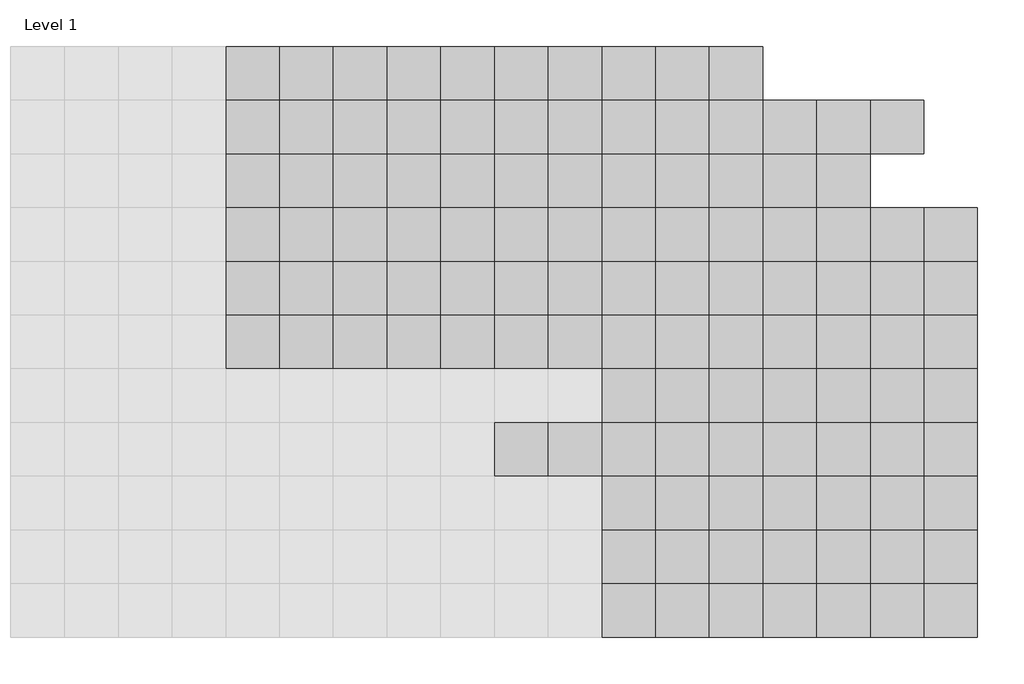
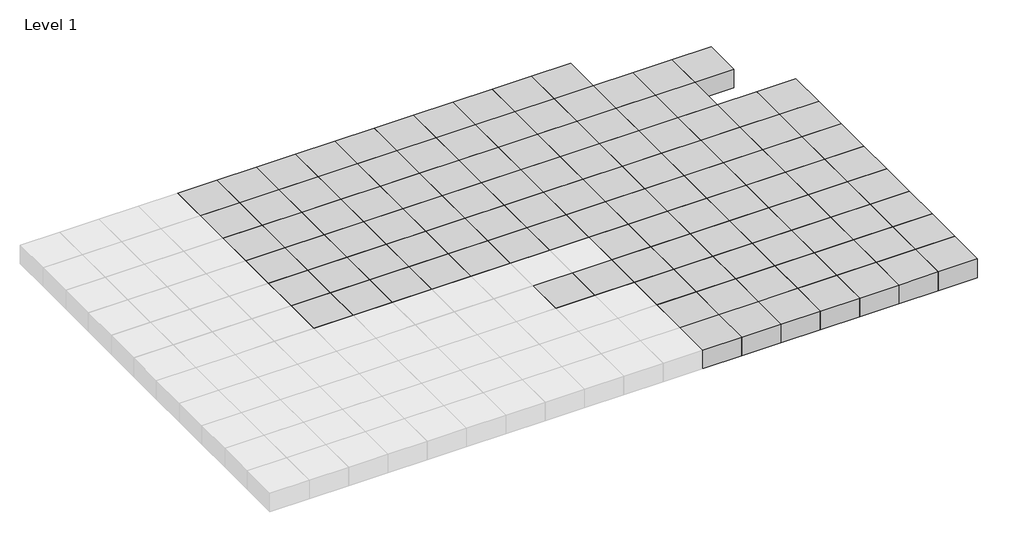
# One storey, part 5 of 30: 114 columns.
"""IFC4 building model written with IfcOpenShell, lengths in millimetres."""

import ifcopenshell
import ifcopenshell.guid

model = None  # the IFC model being written
_history = None  # IfcOwnerHistory: only IFC2X3 demands one
_inside = {}  # id of a spatial element -> (the spatial element, [elements in it])
_under = {}  # id of a project, library or spatial element -> (it, [spatial elements below it])
_declared = {}  # id of a project -> (the project, [libraries it declares])
_typed = {}  # id of a type object -> (the type object, [elements of that type])
_made_of = {}  # id of a material, layer set ... -> (it, [elements and type objects made of it])


def new_model(schema):
    """Start an empty IFC model of exactly this schema.

    Asked for "IFC4X3", IfcOpenShell would pick the latest addendum, in which some entities
    have other attributes; the version numbers below select the first issue.
    IFC2X3 requires an IfcOwnerHistory on every rooted entity: one is made here for all.
    """
    global model, _history
    if schema == "IFC4X3":
        model = ifcopenshell.file(schema_version=(4, 3, 0, 0))
    else:
        model = ifcopenshell.file(schema=schema)
    _inside.clear()
    _under.clear()
    _declared.clear()
    _typed.clear()
    _made_of.clear()
    _history = None
    if model.schema == "IFC2X3":
        org = make("IfcOrganization", Name="unknown")
        user = make(
            "IfcPersonAndOrganization",
            ThePerson=make("IfcPerson", FamilyName="unknown"),
            TheOrganization=org,
        )
        app = make(
            "IfcApplication",
            ApplicationDeveloper=org,
            Version="unknown",
            ApplicationFullName="unknown",
            ApplicationIdentifier="unknown",
        )
        _history = make(
            "IfcOwnerHistory",
            OwningUser=user,
            OwningApplication=app,
            ChangeAction="ADDED",
            CreationDate=0,
        )
    return model


def make(cls, **values):
    """One entity of the class cls with the attributes given. An attribute that is None is left unset."""
    return model.create_entity(
        cls, **{name: value for name, value in values.items() if value is not None}
    )


def rooted(cls, **values):
    """An entity with a GlobalId (a new one), such as an element, a storey or a relation."""
    return make(cls, GlobalId=ifcopenshell.guid.new(), OwnerHistory=_history, **values)


def si_unit(unit_type, name, prefix=None):
    """IfcSIUnit, for example si_unit("LENGTHUNIT", "METRE", prefix="MILLI")."""
    return make("IfcSIUnit", UnitType=unit_type, Prefix=prefix, Name=name)


def assignment(units):
    """IfcUnitAssignment: the units of a project."""
    return None if units is None else make("IfcUnitAssignment", Units=units)


def point(xyz):
    """IfcCartesianPoint."""
    return None if xyz is None else make("IfcCartesianPoint", Coordinates=xyz)


def direction(xyz):
    """IfcDirection."""
    return None if xyz is None else make("IfcDirection", DirectionRatios=xyz)


def frame(location, z_axis=None, x_axis=None):
    """IfcAxis2Placement3D, a coordinate frame: its origin and axes. An axis left out is left unset."""
    return make(
        "IfcAxis2Placement3D",
        Location=point(location),
        Axis=direction(z_axis),
        RefDirection=direction(x_axis),
    )


def origin():
    """The frame at (0, 0, 0) with its axes left unset."""
    return frame((0.0, 0.0, 0.0))


def origin_with_axes():
    """The frame at (0, 0, 0) with the z axis (0, 0, 1) and the x axis (1, 0, 0) written out."""
    return frame((0.0, 0.0, 0.0), z_axis=(0.0, 0.0, 1.0), x_axis=(1.0, 0.0, 0.0))


def place(relative_to, where):
    """IfcLocalPlacement: puts the frame where relative to a parent placement (None: the world)."""
    return make(
        "IfcLocalPlacement", PlacementRelTo=relative_to, RelativePlacement=where
    )


def context(
    kind, dimensions, precision=None, world=None, true_north=None, identifier=None
):
    """IfcGeometricRepresentationContext, for example the 3D "Model" context."""
    return make(
        "IfcGeometricRepresentationContext",
        ContextIdentifier=identifier,
        ContextType=kind,
        CoordinateSpaceDimension=dimensions,
        Precision=precision,
        WorldCoordinateSystem=world,
        TrueNorth=true_north,
    )


def project(units=None, contexts=None):
    """IfcProject with its units and contexts."""
    return rooted(
        "IfcProject",
        Name="project",
        RepresentationContexts=contexts,
        UnitsInContext=assignment(units),
    )


def spatial(cls, under=None, at=None, **own):
    """A site, building, storey or space (cls), placed at a placement, below another one or the project."""
    s = rooted(cls, ObjectPlacement=at, **own)
    if under is not None:
        _under.setdefault(under.id(), (under, []))[1].append(s)
    return s


def polyline(points):
    """IfcPolyline through the points."""
    return make("IfcPolyline", Points=[point(p) for p in points])


def outline(outer, holes=None, kind="AREA"):
    """IfcArbitraryClosedProfileDef: a profile drawn as a closed curve; with holes, ...WithVoids."""
    if holes is None:
        return make("IfcArbitraryClosedProfileDef", ProfileType=kind, OuterCurve=outer)
    return make(
        "IfcArbitraryProfileDefWithVoids",
        ProfileType=kind,
        OuterCurve=outer,
        InnerCurves=holes,
    )


def extrude(swept, where, along, depth):
    """IfcExtrudedAreaSolid: the profile swept, set in the frame where, extruded along a direction by depth."""
    return make(
        "IfcExtrudedAreaSolid",
        SweptArea=swept,
        Position=where,
        ExtrudedDirection=direction(along),
        Depth=depth,
    )


def shape(context_of_items, identifier, shape_type, items):
    """IfcShapeRepresentation: the items that make up one representation, for example the "Body"."""
    return make(
        "IfcShapeRepresentation",
        ContextOfItems=context_of_items,
        RepresentationIdentifier=identifier,
        RepresentationType=shape_type,
        Items=items,
    )


def source(mapping_origin, context_of_items, identifier, shape_type, items):
    """IfcRepresentationMap: a shape defined once, which mapped items show again and again."""
    return make(
        "IfcRepresentationMap",
        MappingOrigin=mapping_origin,
        MappedRepresentation=shape(context_of_items, identifier, shape_type, items),
    )


def transform(
    local_origin,
    x_axis=None,
    y_axis=None,
    z_axis=None,
    scale=None,
    scale2=None,
    scale3=None,
    uniform=True,
):
    """IfcCartesianTransformationOperator3D, or its non-uniform kind. x_axis, y_axis, z_axis: its Axis1, 2, 3."""
    if uniform:
        return make(
            "IfcCartesianTransformationOperator3D",
            Axis1=direction(x_axis),
            Axis2=direction(y_axis),
            LocalOrigin=point(local_origin),
            Scale=scale,
            Axis3=direction(z_axis),
        )
    return make(
        "IfcCartesianTransformationOperator3DnonUniform",
        Axis1=direction(x_axis),
        Axis2=direction(y_axis),
        LocalOrigin=point(local_origin),
        Scale=scale,
        Axis3=direction(z_axis),
        Scale2=scale2,
        Scale3=scale3,
    )


def mapped(mapping_source, mapping_target):
    """IfcMappedItem: shows the shape of a source again, moved by a transform."""
    return make(
        "IfcMappedItem", MappingSource=mapping_source, MappingTarget=mapping_target
    )


def made_of(thing, what):
    """Note that an element or type object is made of a material, layer set ...; save() writes the relation."""
    if what is not None:
        _made_of.setdefault(what.id(), (what, []))[1].append(thing)
    return thing


def element(
    cls,
    number,
    at=None,
    inside=None,
    cuts=None,
    type_object=None,
    material=None,
    context=None,
    identifier="Body",
    shape_type=None,
    held_by="IfcProductDefinitionShape",
    body=None,
    shapes=None,
    **own,
):
    """One element of the class cls, such as IfcWall. Its Tag is "e" and its number.

    at: its placement. inside: the storey or other place that contains it. cuts: it is an
    opening in that element (IfcRelVoidsElement). A single representation is given by context,
    identifier, shape_type and body (its items); several are given by shapes. held_by: the class
    of the entity that holds the representations. save() writes the other relations.
    """
    e = rooted(cls, Tag="e%d" % number, ObjectPlacement=at, **own)
    if body is not None:
        shapes = [shape(context, identifier, shape_type, body)]
    if shapes is not None:
        e.Representation = make(held_by, Representations=shapes)
    if inside is not None:
        _inside.setdefault(inside.id(), (inside, []))[1].append(e)
    if cuts is not None:
        rooted(
            "IfcRelVoidsElement", RelatingBuildingElement=cuts, RelatedOpeningElement=e
        )
    if type_object is not None:
        _typed.setdefault(type_object.id(), (type_object, []))[1].append(e)
    return made_of(e, material)


def aggregate(whole, parts):
    """IfcRelAggregates: a whole, such as a stair, and the parts it consists of."""
    return rooted("IfcRelAggregates", RelatingObject=whole, RelatedObjects=parts)


def save(model, path):
    """Write the relations noted so far, then the file.

    IfcRelAggregates (storeys below a building ...), IfcRelContainedInSpatialStructure (elements
    in a storey), IfcRelDefinesByType, IfcRelAssociatesMaterial and IfcRelDeclares: one each for
    every whole, place, type object, material and project.
    """
    for whole, parts in _under.values():
        aggregate(whole, parts)
    for where, things in _inside.values():
        rooted(
            "IfcRelContainedInSpatialStructure",
            RelatedElements=things,
            RelatingStructure=where,
        )
    for kind, things in _typed.values():
        rooted("IfcRelDefinesByType", RelatedObjects=things, RelatingType=kind)
    for what, things in _made_of.values():
        rooted("IfcRelAssociatesMaterial", RelatedObjects=things, RelatingMaterial=what)
    for by, libraries in _declared.values():
        rooted("IfcRelDeclares", RelatingContext=by, RelatedDefinitions=libraries)
    model.write(path)


def m_concrete_square_column_600_x_600mm_cc081a69(model_context):
    return source(origin(), model_context, "Body", "SweptSolid", [
        extrude(outline(polyline([(300.0, 300.0), (300.0, -300.0), (-300.0, -300.0), (-300.0, 300.0), (300.0, 300.0)])), origin_with_axes(), (0.0, 0.0, 1.0), 300.0),
    ])


model = new_model("IFC4")

# Units and contexts
model_context = context("Model", 3, world=origin())
ifc_project = project(units=[si_unit("LENGTHUNIT", "METRE", prefix="MILLI")], contexts=[model_context])

# Site, building, storey
site = spatial("IfcSite", under=ifc_project)
building = spatial("IfcBuilding", under=site)
storey = spatial("IfcBuildingStorey", under=building, Name="Level 1", Elevation=0.0)

# Columns
placement = place(None, origin())
m_concrete_square_column_600_x_600mm_shape = m_concrete_square_column_600_x_600mm_cc081a69(model_context)
element("IfcColumn", 1, ObjectType="M_Concrete-Square-Column : 600 x 600mm", at=placement, inside=storey, context=model_context, shape_type="MappedRepresentation", body=[
    mapped(m_concrete_square_column_600_x_600mm_shape, transform((96050.9001936, -530.9023417, 0.0), x_axis=(1.0, 0.0, 0.0), y_axis=(0.0, 1.0, 0.0), z_axis=(0.0, 0.0, 1.0))),
])
element("IfcColumn", 2, ObjectType="M_Concrete-Square-Column : 600 x 600mm", at=placement, inside=storey, context=model_context, shape_type="MappedRepresentation", body=[
    mapped(m_concrete_square_column_600_x_600mm_shape, transform((96650.9001936, -530.9023417, 0.0), x_axis=(1.0, 0.0, 0.0), y_axis=(0.0, 1.0, 0.0), z_axis=(0.0, 0.0, 1.0))),
])
element("IfcColumn", 3, ObjectType="M_Concrete-Square-Column : 600 x 600mm", at=placement, inside=storey, context=model_context, shape_type="MappedRepresentation", body=[
    mapped(m_concrete_square_column_600_x_600mm_shape, transform((97250.9001936, -530.9023417, 0.0), x_axis=(1.0, 0.0, 0.0), y_axis=(0.0, 1.0, 0.0), z_axis=(0.0, 0.0, 1.0))),
])
element("IfcColumn", 4, ObjectType="M_Concrete-Square-Column : 600 x 600mm", at=placement, inside=storey, context=model_context, shape_type="MappedRepresentation", body=[
    mapped(m_concrete_square_column_600_x_600mm_shape, transform((97850.9001936, -530.9023417, 0.0), x_axis=(1.0, 0.0, 0.0), y_axis=(0.0, 1.0, 0.0), z_axis=(0.0, 0.0, 1.0))),
])
element("IfcColumn", 5, ObjectType="M_Concrete-Square-Column : 600 x 600mm", at=placement, inside=storey, context=model_context, shape_type="MappedRepresentation", body=[
    mapped(m_concrete_square_column_600_x_600mm_shape, transform((98450.9001936, -530.9023417, 0.0), x_axis=(1.0, 0.0, 0.0), y_axis=(0.0, 1.0, 0.0), z_axis=(0.0, 0.0, 1.0))),
])
element("IfcColumn", 6, ObjectType="M_Concrete-Square-Column : 600 x 600mm", at=placement, inside=storey, context=model_context, shape_type="MappedRepresentation", body=[
    mapped(m_concrete_square_column_600_x_600mm_shape, transform((99050.9001936, -530.9023417, 0.0), x_axis=(1.0, 0.0, 0.0), y_axis=(0.0, 1.0, 0.0), z_axis=(0.0, 0.0, 1.0))),
])
element("IfcColumn", 7, ObjectType="M_Concrete-Square-Column : 600 x 600mm", at=placement, inside=storey, context=model_context, shape_type="MappedRepresentation", body=[
    mapped(m_concrete_square_column_600_x_600mm_shape, transform((99650.9001936, -530.9023417, 0.0), x_axis=(1.0, 0.0, 0.0), y_axis=(0.0, 1.0, 0.0), z_axis=(0.0, 0.0, 1.0))),
])
element("IfcColumn", 8, ObjectType="M_Concrete-Square-Column : 600 x 600mm", at=placement, inside=storey, context=model_context, shape_type="MappedRepresentation", body=[
    mapped(m_concrete_square_column_600_x_600mm_shape, transform((100250.9001936, -530.9023417, 0.0), x_axis=(1.0, 0.0, 0.0), y_axis=(0.0, 1.0, 0.0), z_axis=(0.0, 0.0, 1.0))),
])
element("IfcColumn", 9, ObjectType="M_Concrete-Square-Column : 600 x 600mm", at=placement, inside=storey, context=model_context, shape_type="MappedRepresentation", body=[
    mapped(m_concrete_square_column_600_x_600mm_shape, transform((100850.9001936, -530.9023417, 0.0), x_axis=(1.0, 0.0, 0.0), y_axis=(0.0, 1.0, 0.0), z_axis=(0.0, 0.0, 1.0))),
])
element("IfcColumn", 10, ObjectType="M_Concrete-Square-Column : 600 x 600mm", at=placement, inside=storey, context=model_context, shape_type="MappedRepresentation", body=[
    mapped(m_concrete_square_column_600_x_600mm_shape, transform((101450.9001936, -530.9023417, 0.0), x_axis=(1.0, 0.0, 0.0), y_axis=(0.0, 1.0, 0.0), z_axis=(0.0, 0.0, 1.0))),
])
element("IfcColumn", 11, ObjectType="M_Concrete-Square-Column : 600 x 600mm", at=placement, inside=storey, context=model_context, shape_type="MappedRepresentation", body=[
    mapped(m_concrete_square_column_600_x_600mm_shape, transform((96050.9001936, -1130.9023417, 0.0), x_axis=(1.0, 0.0, 0.0), y_axis=(0.0, 1.0, 0.0), z_axis=(0.0, 0.0, 1.0))),
])
element("IfcColumn", 12, ObjectType="M_Concrete-Square-Column : 600 x 600mm", at=placement, inside=storey, context=model_context, shape_type="MappedRepresentation", body=[
    mapped(m_concrete_square_column_600_x_600mm_shape, transform((96650.9001936, -1130.9023417, 0.0), x_axis=(1.0, 0.0, 0.0), y_axis=(0.0, 1.0, 0.0), z_axis=(0.0, 0.0, 1.0))),
])
element("IfcColumn", 13, ObjectType="M_Concrete-Square-Column : 600 x 600mm", at=placement, inside=storey, context=model_context, shape_type="MappedRepresentation", body=[
    mapped(m_concrete_square_column_600_x_600mm_shape, transform((97250.9001936, -1130.9023417, 0.0), x_axis=(1.0, 0.0, 0.0), y_axis=(0.0, 1.0, 0.0), z_axis=(0.0, 0.0, 1.0))),
])
element("IfcColumn", 14, ObjectType="M_Concrete-Square-Column : 600 x 600mm", at=placement, inside=storey, context=model_context, shape_type="MappedRepresentation", body=[
    mapped(m_concrete_square_column_600_x_600mm_shape, transform((97850.9001936, -1130.9023417, 0.0), x_axis=(1.0, 0.0, 0.0), y_axis=(0.0, 1.0, 0.0), z_axis=(0.0, 0.0, 1.0))),
])
element("IfcColumn", 15, ObjectType="M_Concrete-Square-Column : 600 x 600mm", at=placement, inside=storey, context=model_context, shape_type="MappedRepresentation", body=[
    mapped(m_concrete_square_column_600_x_600mm_shape, transform((98450.9001936, -1130.9023417, 0.0), x_axis=(1.0, 0.0, 0.0), y_axis=(0.0, 1.0, 0.0), z_axis=(0.0, 0.0, 1.0))),
])
element("IfcColumn", 16, ObjectType="M_Concrete-Square-Column : 600 x 600mm", at=placement, inside=storey, context=model_context, shape_type="MappedRepresentation", body=[
    mapped(m_concrete_square_column_600_x_600mm_shape, transform((96050.9001936, -1730.9023417, 0.0), x_axis=(1.0, 0.0, 0.0), y_axis=(0.0, 1.0, 0.0), z_axis=(0.0, 0.0, 1.0))),
])
element("IfcColumn", 17, ObjectType="M_Concrete-Square-Column : 600 x 600mm", at=placement, inside=storey, context=model_context, shape_type="MappedRepresentation", body=[
    mapped(m_concrete_square_column_600_x_600mm_shape, transform((96650.9001936, -1730.9023417, 0.0), x_axis=(1.0, 0.0, 0.0), y_axis=(0.0, 1.0, 0.0), z_axis=(0.0, 0.0, 1.0))),
])
element("IfcColumn", 18, ObjectType="M_Concrete-Square-Column : 600 x 600mm", at=placement, inside=storey, context=model_context, shape_type="MappedRepresentation", body=[
    mapped(m_concrete_square_column_600_x_600mm_shape, transform((97250.9001936, -1730.9023417, 0.0), x_axis=(1.0, 0.0, 0.0), y_axis=(0.0, 1.0, 0.0), z_axis=(0.0, 0.0, 1.0))),
])
element("IfcColumn", 19, ObjectType="M_Concrete-Square-Column : 600 x 600mm", at=placement, inside=storey, context=model_context, shape_type="MappedRepresentation", body=[
    mapped(m_concrete_square_column_600_x_600mm_shape, transform((97850.9001936, -1730.9023417, 0.0), x_axis=(1.0, 0.0, 0.0), y_axis=(0.0, 1.0, 0.0), z_axis=(0.0, 0.0, 1.0))),
])
element("IfcColumn", 20, ObjectType="M_Concrete-Square-Column : 600 x 600mm", at=placement, inside=storey, context=model_context, shape_type="MappedRepresentation", body=[
    mapped(m_concrete_square_column_600_x_600mm_shape, transform((98450.9001936, -1730.9023417, 0.0), x_axis=(1.0, 0.0, 0.0), y_axis=(0.0, 1.0, 0.0), z_axis=(0.0, 0.0, 1.0))),
])
element("IfcColumn", 21, ObjectType="M_Concrete-Square-Column : 600 x 600mm", at=placement, inside=storey, context=model_context, shape_type="MappedRepresentation", body=[
    mapped(m_concrete_square_column_600_x_600mm_shape, transform((96050.9001936, -2330.9023417, 0.0), x_axis=(1.0, 0.0, 0.0), y_axis=(0.0, 1.0, 0.0), z_axis=(0.0, 0.0, 1.0))),
])
element("IfcColumn", 22, ObjectType="M_Concrete-Square-Column : 600 x 600mm", at=placement, inside=storey, context=model_context, shape_type="MappedRepresentation", body=[
    mapped(m_concrete_square_column_600_x_600mm_shape, transform((96650.9001936, -2330.9023417, 0.0), x_axis=(1.0, 0.0, 0.0), y_axis=(0.0, 1.0, 0.0), z_axis=(0.0, 0.0, 1.0))),
])
element("IfcColumn", 23, ObjectType="M_Concrete-Square-Column : 600 x 600mm", at=placement, inside=storey, context=model_context, shape_type="MappedRepresentation", body=[
    mapped(m_concrete_square_column_600_x_600mm_shape, transform((97250.9001936, -2330.9023417, 0.0), x_axis=(1.0, 0.0, 0.0), y_axis=(0.0, 1.0, 0.0), z_axis=(0.0, 0.0, 1.0))),
])
element("IfcColumn", 24, ObjectType="M_Concrete-Square-Column : 600 x 600mm", at=placement, inside=storey, context=model_context, shape_type="MappedRepresentation", body=[
    mapped(m_concrete_square_column_600_x_600mm_shape, transform((97850.9001936, -2330.9023417, 0.0), x_axis=(1.0, 0.0, 0.0), y_axis=(0.0, 1.0, 0.0), z_axis=(0.0, 0.0, 1.0))),
])
element("IfcColumn", 25, ObjectType="M_Concrete-Square-Column : 600 x 600mm", at=placement, inside=storey, context=model_context, shape_type="MappedRepresentation", body=[
    mapped(m_concrete_square_column_600_x_600mm_shape, transform((98450.9001936, -2330.9023417, 0.0), x_axis=(1.0, 0.0, 0.0), y_axis=(0.0, 1.0, 0.0), z_axis=(0.0, 0.0, 1.0))),
])
element("IfcColumn", 26, ObjectType="M_Concrete-Square-Column : 600 x 600mm", at=placement, inside=storey, context=model_context, shape_type="MappedRepresentation", body=[
    mapped(m_concrete_square_column_600_x_600mm_shape, transform((96050.9001936, -2930.9023417, 0.0), x_axis=(1.0, 0.0, 0.0), y_axis=(0.0, 1.0, 0.0), z_axis=(0.0, 0.0, 1.0))),
])
element("IfcColumn", 27, ObjectType="M_Concrete-Square-Column : 600 x 600mm", at=placement, inside=storey, context=model_context, shape_type="MappedRepresentation", body=[
    mapped(m_concrete_square_column_600_x_600mm_shape, transform((96650.9001936, -2930.9023417, 0.0), x_axis=(1.0, 0.0, 0.0), y_axis=(0.0, 1.0, 0.0), z_axis=(0.0, 0.0, 1.0))),
])
element("IfcColumn", 28, ObjectType="M_Concrete-Square-Column : 600 x 600mm", at=placement, inside=storey, context=model_context, shape_type="MappedRepresentation", body=[
    mapped(m_concrete_square_column_600_x_600mm_shape, transform((97250.9001936, -2930.9023417, 0.0), x_axis=(1.0, 0.0, 0.0), y_axis=(0.0, 1.0, 0.0), z_axis=(0.0, 0.0, 1.0))),
])
element("IfcColumn", 29, ObjectType="M_Concrete-Square-Column : 600 x 600mm", at=placement, inside=storey, context=model_context, shape_type="MappedRepresentation", body=[
    mapped(m_concrete_square_column_600_x_600mm_shape, transform((97850.9001936, -2930.9023417, 0.0), x_axis=(1.0, 0.0, 0.0), y_axis=(0.0, 1.0, 0.0), z_axis=(0.0, 0.0, 1.0))),
])
element("IfcColumn", 30, ObjectType="M_Concrete-Square-Column : 600 x 600mm", at=placement, inside=storey, context=model_context, shape_type="MappedRepresentation", body=[
    mapped(m_concrete_square_column_600_x_600mm_shape, transform((98450.9001936, -2930.9023417, 0.0), x_axis=(1.0, 0.0, 0.0), y_axis=(0.0, 1.0, 0.0), z_axis=(0.0, 0.0, 1.0))),
])
element("IfcColumn", 31, ObjectType="M_Concrete-Square-Column : 600 x 600mm", at=placement, inside=storey, context=model_context, shape_type="MappedRepresentation", body=[
    mapped(m_concrete_square_column_600_x_600mm_shape, transform((96050.9001936, -3530.9023417, 0.0), x_axis=(1.0, 0.0, 0.0), y_axis=(0.0, 1.0, 0.0), z_axis=(0.0, 0.0, 1.0))),
])
element("IfcColumn", 32, ObjectType="M_Concrete-Square-Column : 600 x 600mm", at=placement, inside=storey, context=model_context, shape_type="MappedRepresentation", body=[
    mapped(m_concrete_square_column_600_x_600mm_shape, transform((96650.9001936, -3530.9023417, 0.0), x_axis=(1.0, 0.0, 0.0), y_axis=(0.0, 1.0, 0.0), z_axis=(0.0, 0.0, 1.0))),
])
element("IfcColumn", 33, ObjectType="M_Concrete-Square-Column : 600 x 600mm", at=placement, inside=storey, context=model_context, shape_type="MappedRepresentation", body=[
    mapped(m_concrete_square_column_600_x_600mm_shape, transform((97250.9001936, -3530.9023417, 0.0), x_axis=(1.0, 0.0, 0.0), y_axis=(0.0, 1.0, 0.0), z_axis=(0.0, 0.0, 1.0))),
])
element("IfcColumn", 34, ObjectType="M_Concrete-Square-Column : 600 x 600mm", at=placement, inside=storey, context=model_context, shape_type="MappedRepresentation", body=[
    mapped(m_concrete_square_column_600_x_600mm_shape, transform((97850.9001936, -3530.9023417, 0.0), x_axis=(1.0, 0.0, 0.0), y_axis=(0.0, 1.0, 0.0), z_axis=(0.0, 0.0, 1.0))),
])
element("IfcColumn", 35, ObjectType="M_Concrete-Square-Column : 600 x 600mm", at=placement, inside=storey, context=model_context, shape_type="MappedRepresentation", body=[
    mapped(m_concrete_square_column_600_x_600mm_shape, transform((98450.9001936, -3530.9023417, 0.0), x_axis=(1.0, 0.0, 0.0), y_axis=(0.0, 1.0, 0.0), z_axis=(0.0, 0.0, 1.0))),
])
element("IfcColumn", 36, ObjectType="M_Concrete-Square-Column : 600 x 600mm", at=placement, inside=storey, context=model_context, shape_type="MappedRepresentation", body=[
    mapped(m_concrete_square_column_600_x_600mm_shape, transform((99050.9001936, -1130.9023417, 0.0), x_axis=(1.0, 0.0, 0.0), y_axis=(0.0, 1.0, 0.0), z_axis=(0.0, 0.0, 1.0))),
])
element("IfcColumn", 37, ObjectType="M_Concrete-Square-Column : 600 x 600mm", at=placement, inside=storey, context=model_context, shape_type="MappedRepresentation", body=[
    mapped(m_concrete_square_column_600_x_600mm_shape, transform((99650.9001936, -1130.9023417, 0.0), x_axis=(1.0, 0.0, 0.0), y_axis=(0.0, 1.0, 0.0), z_axis=(0.0, 0.0, 1.0))),
])
element("IfcColumn", 38, ObjectType="M_Concrete-Square-Column : 600 x 600mm", at=placement, inside=storey, context=model_context, shape_type="MappedRepresentation", body=[
    mapped(m_concrete_square_column_600_x_600mm_shape, transform((100250.9001936, -1130.9023417, 0.0), x_axis=(1.0, 0.0, 0.0), y_axis=(0.0, 1.0, 0.0), z_axis=(0.0, 0.0, 1.0))),
])
element("IfcColumn", 39, ObjectType="M_Concrete-Square-Column : 600 x 600mm", at=placement, inside=storey, context=model_context, shape_type="MappedRepresentation", body=[
    mapped(m_concrete_square_column_600_x_600mm_shape, transform((100850.9001936, -1130.9023417, 0.0), x_axis=(1.0, 0.0, 0.0), y_axis=(0.0, 1.0, 0.0), z_axis=(0.0, 0.0, 1.0))),
])
element("IfcColumn", 40, ObjectType="M_Concrete-Square-Column : 600 x 600mm", at=placement, inside=storey, context=model_context, shape_type="MappedRepresentation", body=[
    mapped(m_concrete_square_column_600_x_600mm_shape, transform((101450.9001936, -1130.9023417, 0.0), x_axis=(1.0, 0.0, 0.0), y_axis=(0.0, 1.0, 0.0), z_axis=(0.0, 0.0, 1.0))),
])
element("IfcColumn", 41, ObjectType="M_Concrete-Square-Column : 600 x 600mm", at=placement, inside=storey, context=model_context, shape_type="MappedRepresentation", body=[
    mapped(m_concrete_square_column_600_x_600mm_shape, transform((99050.9001936, -1730.9023417, 0.0), x_axis=(1.0, 0.0, 0.0), y_axis=(0.0, 1.0, 0.0), z_axis=(0.0, 0.0, 1.0))),
])
element("IfcColumn", 42, ObjectType="M_Concrete-Square-Column : 600 x 600mm", at=placement, inside=storey, context=model_context, shape_type="MappedRepresentation", body=[
    mapped(m_concrete_square_column_600_x_600mm_shape, transform((99650.9001936, -1730.9023417, 0.0), x_axis=(1.0, 0.0, 0.0), y_axis=(0.0, 1.0, 0.0), z_axis=(0.0, 0.0, 1.0))),
])
element("IfcColumn", 43, ObjectType="M_Concrete-Square-Column : 600 x 600mm", at=placement, inside=storey, context=model_context, shape_type="MappedRepresentation", body=[
    mapped(m_concrete_square_column_600_x_600mm_shape, transform((100250.9001936, -1730.9023417, 0.0), x_axis=(1.0, 0.0, 0.0), y_axis=(0.0, 1.0, 0.0), z_axis=(0.0, 0.0, 1.0))),
])
element("IfcColumn", 44, ObjectType="M_Concrete-Square-Column : 600 x 600mm", at=placement, inside=storey, context=model_context, shape_type="MappedRepresentation", body=[
    mapped(m_concrete_square_column_600_x_600mm_shape, transform((100850.9001936, -1730.9023417, 0.0), x_axis=(1.0, 0.0, 0.0), y_axis=(0.0, 1.0, 0.0), z_axis=(0.0, 0.0, 1.0))),
])
element("IfcColumn", 45, ObjectType="M_Concrete-Square-Column : 600 x 600mm", at=placement, inside=storey, context=model_context, shape_type="MappedRepresentation", body=[
    mapped(m_concrete_square_column_600_x_600mm_shape, transform((101450.9001936, -1730.9023417, 0.0), x_axis=(1.0, 0.0, 0.0), y_axis=(0.0, 1.0, 0.0), z_axis=(0.0, 0.0, 1.0))),
])
element("IfcColumn", 46, ObjectType="M_Concrete-Square-Column : 600 x 600mm", at=placement, inside=storey, context=model_context, shape_type="MappedRepresentation", body=[
    mapped(m_concrete_square_column_600_x_600mm_shape, transform((99050.9001936, -2330.9023417, 0.0), x_axis=(1.0, 0.0, 0.0), y_axis=(0.0, 1.0, 0.0), z_axis=(0.0, 0.0, 1.0))),
])
element("IfcColumn", 47, ObjectType="M_Concrete-Square-Column : 600 x 600mm", at=placement, inside=storey, context=model_context, shape_type="MappedRepresentation", body=[
    mapped(m_concrete_square_column_600_x_600mm_shape, transform((99650.9001936, -2330.9023417, 0.0), x_axis=(1.0, 0.0, 0.0), y_axis=(0.0, 1.0, 0.0), z_axis=(0.0, 0.0, 1.0))),
])
element("IfcColumn", 48, ObjectType="M_Concrete-Square-Column : 600 x 600mm", at=placement, inside=storey, context=model_context, shape_type="MappedRepresentation", body=[
    mapped(m_concrete_square_column_600_x_600mm_shape, transform((100250.9001936, -2330.9023417, 0.0), x_axis=(1.0, 0.0, 0.0), y_axis=(0.0, 1.0, 0.0), z_axis=(0.0, 0.0, 1.0))),
])
element("IfcColumn", 49, ObjectType="M_Concrete-Square-Column : 600 x 600mm", at=placement, inside=storey, context=model_context, shape_type="MappedRepresentation", body=[
    mapped(m_concrete_square_column_600_x_600mm_shape, transform((100850.9001936, -2330.9023417, 0.0), x_axis=(1.0, 0.0, 0.0), y_axis=(0.0, 1.0, 0.0), z_axis=(0.0, 0.0, 1.0))),
])
element("IfcColumn", 50, ObjectType="M_Concrete-Square-Column : 600 x 600mm", at=placement, inside=storey, context=model_context, shape_type="MappedRepresentation", body=[
    mapped(m_concrete_square_column_600_x_600mm_shape, transform((101450.9001936, -2330.9023417, 0.0), x_axis=(1.0, 0.0, 0.0), y_axis=(0.0, 1.0, 0.0), z_axis=(0.0, 0.0, 1.0))),
])
element("IfcColumn", 51, ObjectType="M_Concrete-Square-Column : 600 x 600mm", at=placement, inside=storey, context=model_context, shape_type="MappedRepresentation", body=[
    mapped(m_concrete_square_column_600_x_600mm_shape, transform((99050.9001936, -2930.9023417, 0.0), x_axis=(1.0, 0.0, 0.0), y_axis=(0.0, 1.0, 0.0), z_axis=(0.0, 0.0, 1.0))),
])
element("IfcColumn", 52, ObjectType="M_Concrete-Square-Column : 600 x 600mm", at=placement, inside=storey, context=model_context, shape_type="MappedRepresentation", body=[
    mapped(m_concrete_square_column_600_x_600mm_shape, transform((99650.9001936, -2930.9023417, 0.0), x_axis=(1.0, 0.0, 0.0), y_axis=(0.0, 1.0, 0.0), z_axis=(0.0, 0.0, 1.0))),
])
element("IfcColumn", 53, ObjectType="M_Concrete-Square-Column : 600 x 600mm", at=placement, inside=storey, context=model_context, shape_type="MappedRepresentation", body=[
    mapped(m_concrete_square_column_600_x_600mm_shape, transform((100250.9001936, -2930.9023417, 0.0), x_axis=(1.0, 0.0, 0.0), y_axis=(0.0, 1.0, 0.0), z_axis=(0.0, 0.0, 1.0))),
])
element("IfcColumn", 54, ObjectType="M_Concrete-Square-Column : 600 x 600mm", at=placement, inside=storey, context=model_context, shape_type="MappedRepresentation", body=[
    mapped(m_concrete_square_column_600_x_600mm_shape, transform((100850.9001936, -2930.9023417, 0.0), x_axis=(1.0, 0.0, 0.0), y_axis=(0.0, 1.0, 0.0), z_axis=(0.0, 0.0, 1.0))),
])
element("IfcColumn", 55, ObjectType="M_Concrete-Square-Column : 600 x 600mm", at=placement, inside=storey, context=model_context, shape_type="MappedRepresentation", body=[
    mapped(m_concrete_square_column_600_x_600mm_shape, transform((101450.9001936, -2930.9023417, 0.0), x_axis=(1.0, 0.0, 0.0), y_axis=(0.0, 1.0, 0.0), z_axis=(0.0, 0.0, 1.0))),
])
element("IfcColumn", 56, ObjectType="M_Concrete-Square-Column : 600 x 600mm", at=placement, inside=storey, context=model_context, shape_type="MappedRepresentation", body=[
    mapped(m_concrete_square_column_600_x_600mm_shape, transform((99050.9001936, -3530.9023417, 0.0), x_axis=(1.0, 0.0, 0.0), y_axis=(0.0, 1.0, 0.0), z_axis=(0.0, 0.0, 1.0))),
])
element("IfcColumn", 57, ObjectType="M_Concrete-Square-Column : 600 x 600mm", at=placement, inside=storey, context=model_context, shape_type="MappedRepresentation", body=[
    mapped(m_concrete_square_column_600_x_600mm_shape, transform((99650.9001936, -3530.9023417, 0.0), x_axis=(1.0, 0.0, 0.0), y_axis=(0.0, 1.0, 0.0), z_axis=(0.0, 0.0, 1.0))),
])
element("IfcColumn", 58, ObjectType="M_Concrete-Square-Column : 600 x 600mm", at=placement, inside=storey, context=model_context, shape_type="MappedRepresentation", body=[
    mapped(m_concrete_square_column_600_x_600mm_shape, transform((100250.9001936, -3530.9023417, 0.0), x_axis=(1.0, 0.0, 0.0), y_axis=(0.0, 1.0, 0.0), z_axis=(0.0, 0.0, 1.0))),
])
element("IfcColumn", 59, ObjectType="M_Concrete-Square-Column : 600 x 600mm", at=placement, inside=storey, context=model_context, shape_type="MappedRepresentation", body=[
    mapped(m_concrete_square_column_600_x_600mm_shape, transform((100850.9001936, -3530.9023417, 0.0), x_axis=(1.0, 0.0, 0.0), y_axis=(0.0, 1.0, 0.0), z_axis=(0.0, 0.0, 1.0))),
])
element("IfcColumn", 60, ObjectType="M_Concrete-Square-Column : 600 x 600mm", at=placement, inside=storey, context=model_context, shape_type="MappedRepresentation", body=[
    mapped(m_concrete_square_column_600_x_600mm_shape, transform((101450.9001936, -3530.9023417, 0.0), x_axis=(1.0, 0.0, 0.0), y_axis=(0.0, 1.0, 0.0), z_axis=(0.0, 0.0, 1.0))),
])
element("IfcColumn", 61, ObjectType="M_Concrete-Square-Column : 600 x 600mm", at=placement, inside=storey, context=model_context, shape_type="MappedRepresentation", body=[
    mapped(m_concrete_square_column_600_x_600mm_shape, transform((102050.9001936, -1130.9023417, 0.0), x_axis=(1.0, 0.0, 0.0), y_axis=(0.0, 1.0, 0.0), z_axis=(0.0, 0.0, 1.0))),
])
element("IfcColumn", 62, ObjectType="M_Concrete-Square-Column : 600 x 600mm", at=placement, inside=storey, context=model_context, shape_type="MappedRepresentation", body=[
    mapped(m_concrete_square_column_600_x_600mm_shape, transform((102650.9001936, -1130.9023417, 0.0), x_axis=(1.0, 0.0, 0.0), y_axis=(0.0, 1.0, 0.0), z_axis=(0.0, 0.0, 1.0))),
])
element("IfcColumn", 63, ObjectType="M_Concrete-Square-Column : 600 x 600mm", at=placement, inside=storey, context=model_context, shape_type="MappedRepresentation", body=[
    mapped(m_concrete_square_column_600_x_600mm_shape, transform((103250.9001936, -1130.9023417, 0.0), x_axis=(1.0, 0.0, 0.0), y_axis=(0.0, 1.0, 0.0), z_axis=(0.0, 0.0, 1.0))),
])
element("IfcColumn", 64, ObjectType="M_Concrete-Square-Column : 600 x 600mm", at=placement, inside=storey, context=model_context, shape_type="MappedRepresentation", body=[
    mapped(m_concrete_square_column_600_x_600mm_shape, transform((102050.9001936, -1730.9023417, 0.0), x_axis=(1.0, 0.0, 0.0), y_axis=(0.0, 1.0, 0.0), z_axis=(0.0, 0.0, 1.0))),
])
element("IfcColumn", 65, ObjectType="M_Concrete-Square-Column : 600 x 600mm", at=placement, inside=storey, context=model_context, shape_type="MappedRepresentation", body=[
    mapped(m_concrete_square_column_600_x_600mm_shape, transform((102650.9001936, -1730.9023417, 0.0), x_axis=(1.0, 0.0, 0.0), y_axis=(0.0, 1.0, 0.0), z_axis=(0.0, 0.0, 1.0))),
])
element("IfcColumn", 66, ObjectType="M_Concrete-Square-Column : 600 x 600mm", at=placement, inside=storey, context=model_context, shape_type="MappedRepresentation", body=[
    mapped(m_concrete_square_column_600_x_600mm_shape, transform((102050.9001936, -2330.9023417, 0.0), x_axis=(1.0, 0.0, 0.0), y_axis=(0.0, 1.0, 0.0), z_axis=(0.0, 0.0, 1.0))),
])
element("IfcColumn", 67, ObjectType="M_Concrete-Square-Column : 600 x 600mm", at=placement, inside=storey, context=model_context, shape_type="MappedRepresentation", body=[
    mapped(m_concrete_square_column_600_x_600mm_shape, transform((102650.9001936, -2330.9023417, 0.0), x_axis=(1.0, 0.0, 0.0), y_axis=(0.0, 1.0, 0.0), z_axis=(0.0, 0.0, 1.0))),
])
element("IfcColumn", 68, ObjectType="M_Concrete-Square-Column : 600 x 600mm", at=placement, inside=storey, context=model_context, shape_type="MappedRepresentation", body=[
    mapped(m_concrete_square_column_600_x_600mm_shape, transform((103250.9001936, -2330.9023417, 0.0), x_axis=(1.0, 0.0, 0.0), y_axis=(0.0, 1.0, 0.0), z_axis=(0.0, 0.0, 1.0))),
])
element("IfcColumn", 69, ObjectType="M_Concrete-Square-Column : 600 x 600mm", at=placement, inside=storey, context=model_context, shape_type="MappedRepresentation", body=[
    mapped(m_concrete_square_column_600_x_600mm_shape, transform((103850.9001936, -2330.9023417, 0.0), x_axis=(1.0, 0.0, 0.0), y_axis=(0.0, 1.0, 0.0), z_axis=(0.0, 0.0, 1.0))),
])
element("IfcColumn", 70, ObjectType="M_Concrete-Square-Column : 600 x 600mm", at=placement, inside=storey, context=model_context, shape_type="MappedRepresentation", body=[
    mapped(m_concrete_square_column_600_x_600mm_shape, transform((102050.9001936, -2930.9023417, 0.0), x_axis=(1.0, 0.0, 0.0), y_axis=(0.0, 1.0, 0.0), z_axis=(0.0, 0.0, 1.0))),
])
element("IfcColumn", 71, ObjectType="M_Concrete-Square-Column : 600 x 600mm", at=placement, inside=storey, context=model_context, shape_type="MappedRepresentation", body=[
    mapped(m_concrete_square_column_600_x_600mm_shape, transform((102650.9001936, -2930.9023417, 0.0), x_axis=(1.0, 0.0, 0.0), y_axis=(0.0, 1.0, 0.0), z_axis=(0.0, 0.0, 1.0))),
])
element("IfcColumn", 72, ObjectType="M_Concrete-Square-Column : 600 x 600mm", at=placement, inside=storey, context=model_context, shape_type="MappedRepresentation", body=[
    mapped(m_concrete_square_column_600_x_600mm_shape, transform((103250.9001936, -2930.9023417, 0.0), x_axis=(1.0, 0.0, 0.0), y_axis=(0.0, 1.0, 0.0), z_axis=(0.0, 0.0, 1.0))),
])
element("IfcColumn", 73, ObjectType="M_Concrete-Square-Column : 600 x 600mm", at=placement, inside=storey, context=model_context, shape_type="MappedRepresentation", body=[
    mapped(m_concrete_square_column_600_x_600mm_shape, transform((103850.9001936, -2930.9023417, 0.0), x_axis=(1.0, 0.0, 0.0), y_axis=(0.0, 1.0, 0.0), z_axis=(0.0, 0.0, 1.0))),
])
element("IfcColumn", 74, ObjectType="M_Concrete-Square-Column : 600 x 600mm", at=placement, inside=storey, context=model_context, shape_type="MappedRepresentation", body=[
    mapped(m_concrete_square_column_600_x_600mm_shape, transform((102050.9001936, -3530.9023417, 0.0), x_axis=(1.0, 0.0, 0.0), y_axis=(0.0, 1.0, 0.0), z_axis=(0.0, 0.0, 1.0))),
])
element("IfcColumn", 75, ObjectType="M_Concrete-Square-Column : 600 x 600mm", at=placement, inside=storey, context=model_context, shape_type="MappedRepresentation", body=[
    mapped(m_concrete_square_column_600_x_600mm_shape, transform((102650.9001936, -3530.9023417, 0.0), x_axis=(1.0, 0.0, 0.0), y_axis=(0.0, 1.0, 0.0), z_axis=(0.0, 0.0, 1.0))),
])
element("IfcColumn", 76, ObjectType="M_Concrete-Square-Column : 600 x 600mm", at=placement, inside=storey, context=model_context, shape_type="MappedRepresentation", body=[
    mapped(m_concrete_square_column_600_x_600mm_shape, transform((103250.9001936, -3530.9023417, 0.0), x_axis=(1.0, 0.0, 0.0), y_axis=(0.0, 1.0, 0.0), z_axis=(0.0, 0.0, 1.0))),
])
element("IfcColumn", 77, ObjectType="M_Concrete-Square-Column : 600 x 600mm", at=placement, inside=storey, context=model_context, shape_type="MappedRepresentation", body=[
    mapped(m_concrete_square_column_600_x_600mm_shape, transform((103850.9001936, -3530.9023417, 0.0), x_axis=(1.0, 0.0, 0.0), y_axis=(0.0, 1.0, 0.0), z_axis=(0.0, 0.0, 1.0))),
])
element("IfcColumn", 78, ObjectType="M_Concrete-Square-Column : 600 x 600mm", at=placement, inside=storey, context=model_context, shape_type="MappedRepresentation", body=[
    mapped(m_concrete_square_column_600_x_600mm_shape, transform((100250.9001936, -4130.9023417, 0.0), x_axis=(1.0, 0.0, 0.0), y_axis=(0.0, 1.0, 0.0), z_axis=(0.0, 0.0, 1.0))),
])
element("IfcColumn", 79, ObjectType="M_Concrete-Square-Column : 600 x 600mm", at=placement, inside=storey, context=model_context, shape_type="MappedRepresentation", body=[
    mapped(m_concrete_square_column_600_x_600mm_shape, transform((100850.9001936, -4130.9023417, 0.0), x_axis=(1.0, 0.0, 0.0), y_axis=(0.0, 1.0, 0.0), z_axis=(0.0, 0.0, 1.0))),
])
element("IfcColumn", 80, ObjectType="M_Concrete-Square-Column : 600 x 600mm", at=placement, inside=storey, context=model_context, shape_type="MappedRepresentation", body=[
    mapped(m_concrete_square_column_600_x_600mm_shape, transform((101450.9001936, -4130.9023417, 0.0), x_axis=(1.0, 0.0, 0.0), y_axis=(0.0, 1.0, 0.0), z_axis=(0.0, 0.0, 1.0))),
])
element("IfcColumn", 81, ObjectType="M_Concrete-Square-Column : 600 x 600mm", at=placement, inside=storey, context=model_context, shape_type="MappedRepresentation", body=[
    mapped(m_concrete_square_column_600_x_600mm_shape, transform((99050.9001936, -4730.9023417, 0.0), x_axis=(1.0, 0.0, 0.0), y_axis=(0.0, 1.0, 0.0), z_axis=(0.0, 0.0, 1.0))),
])
element("IfcColumn", 82, ObjectType="M_Concrete-Square-Column : 600 x 600mm", at=placement, inside=storey, context=model_context, shape_type="MappedRepresentation", body=[
    mapped(m_concrete_square_column_600_x_600mm_shape, transform((99650.9001936, -4730.9023417, 0.0), x_axis=(1.0, 0.0, 0.0), y_axis=(0.0, 1.0, 0.0), z_axis=(0.0, 0.0, 1.0))),
])
element("IfcColumn", 83, ObjectType="M_Concrete-Square-Column : 600 x 600mm", at=placement, inside=storey, context=model_context, shape_type="MappedRepresentation", body=[
    mapped(m_concrete_square_column_600_x_600mm_shape, transform((100250.9001936, -4730.9023417, 0.0), x_axis=(1.0, 0.0, 0.0), y_axis=(0.0, 1.0, 0.0), z_axis=(0.0, 0.0, 1.0))),
])
element("IfcColumn", 84, ObjectType="M_Concrete-Square-Column : 600 x 600mm", at=placement, inside=storey, context=model_context, shape_type="MappedRepresentation", body=[
    mapped(m_concrete_square_column_600_x_600mm_shape, transform((100850.9001936, -4730.9023417, 0.0), x_axis=(1.0, 0.0, 0.0), y_axis=(0.0, 1.0, 0.0), z_axis=(0.0, 0.0, 1.0))),
])
element("IfcColumn", 85, ObjectType="M_Concrete-Square-Column : 600 x 600mm", at=placement, inside=storey, context=model_context, shape_type="MappedRepresentation", body=[
    mapped(m_concrete_square_column_600_x_600mm_shape, transform((101450.9001936, -4730.9023417, 0.0), x_axis=(1.0, 0.0, 0.0), y_axis=(0.0, 1.0, 0.0), z_axis=(0.0, 0.0, 1.0))),
])
element("IfcColumn", 86, ObjectType="M_Concrete-Square-Column : 600 x 600mm", at=placement, inside=storey, context=model_context, shape_type="MappedRepresentation", body=[
    mapped(m_concrete_square_column_600_x_600mm_shape, transform((100250.9001936, -5330.9023417, 0.0), x_axis=(1.0, 0.0, 0.0), y_axis=(0.0, 1.0, 0.0), z_axis=(0.0, 0.0, 1.0))),
])
element("IfcColumn", 87, ObjectType="M_Concrete-Square-Column : 600 x 600mm", at=placement, inside=storey, context=model_context, shape_type="MappedRepresentation", body=[
    mapped(m_concrete_square_column_600_x_600mm_shape, transform((100850.9001936, -5330.9023417, 0.0), x_axis=(1.0, 0.0, 0.0), y_axis=(0.0, 1.0, 0.0), z_axis=(0.0, 0.0, 1.0))),
])
element("IfcColumn", 88, ObjectType="M_Concrete-Square-Column : 600 x 600mm", at=placement, inside=storey, context=model_context, shape_type="MappedRepresentation", body=[
    mapped(m_concrete_square_column_600_x_600mm_shape, transform((101450.9001936, -5330.9023417, 0.0), x_axis=(1.0, 0.0, 0.0), y_axis=(0.0, 1.0, 0.0), z_axis=(0.0, 0.0, 1.0))),
])
element("IfcColumn", 89, ObjectType="M_Concrete-Square-Column : 600 x 600mm", at=placement, inside=storey, context=model_context, shape_type="MappedRepresentation", body=[
    mapped(m_concrete_square_column_600_x_600mm_shape, transform((100250.9001936, -5930.9023417, 0.0), x_axis=(1.0, 0.0, 0.0), y_axis=(0.0, 1.0, 0.0), z_axis=(0.0, 0.0, 1.0))),
])
element("IfcColumn", 90, ObjectType="M_Concrete-Square-Column : 600 x 600mm", at=placement, inside=storey, context=model_context, shape_type="MappedRepresentation", body=[
    mapped(m_concrete_square_column_600_x_600mm_shape, transform((100850.9001936, -5930.9023417, 0.0), x_axis=(1.0, 0.0, 0.0), y_axis=(0.0, 1.0, 0.0), z_axis=(0.0, 0.0, 1.0))),
])
element("IfcColumn", 91, ObjectType="M_Concrete-Square-Column : 600 x 600mm", at=placement, inside=storey, context=model_context, shape_type="MappedRepresentation", body=[
    mapped(m_concrete_square_column_600_x_600mm_shape, transform((101450.9001936, -5930.9023417, 0.0), x_axis=(1.0, 0.0, 0.0), y_axis=(0.0, 1.0, 0.0), z_axis=(0.0, 0.0, 1.0))),
])
element("IfcColumn", 92, ObjectType="M_Concrete-Square-Column : 600 x 600mm", at=placement, inside=storey, context=model_context, shape_type="MappedRepresentation", body=[
    mapped(m_concrete_square_column_600_x_600mm_shape, transform((100250.9001936, -6530.9023417, 0.0), x_axis=(1.0, 0.0, 0.0), y_axis=(0.0, 1.0, 0.0), z_axis=(0.0, 0.0, 1.0))),
])
element("IfcColumn", 93, ObjectType="M_Concrete-Square-Column : 600 x 600mm", at=placement, inside=storey, context=model_context, shape_type="MappedRepresentation", body=[
    mapped(m_concrete_square_column_600_x_600mm_shape, transform((100850.9001936, -6530.9023417, 0.0), x_axis=(1.0, 0.0, 0.0), y_axis=(0.0, 1.0, 0.0), z_axis=(0.0, 0.0, 1.0))),
])
element("IfcColumn", 94, ObjectType="M_Concrete-Square-Column : 600 x 600mm", at=placement, inside=storey, context=model_context, shape_type="MappedRepresentation", body=[
    mapped(m_concrete_square_column_600_x_600mm_shape, transform((101450.9001936, -6530.9023417, 0.0), x_axis=(1.0, 0.0, 0.0), y_axis=(0.0, 1.0, 0.0), z_axis=(0.0, 0.0, 1.0))),
])
element("IfcColumn", 95, ObjectType="M_Concrete-Square-Column : 600 x 600mm", at=placement, inside=storey, context=model_context, shape_type="MappedRepresentation", body=[
    mapped(m_concrete_square_column_600_x_600mm_shape, transform((102050.9001936, -4130.9023417, 0.0), x_axis=(1.0, 0.0, 0.0), y_axis=(0.0, 1.0, 0.0), z_axis=(0.0, 0.0, 1.0))),
])
element("IfcColumn", 96, ObjectType="M_Concrete-Square-Column : 600 x 600mm", at=placement, inside=storey, context=model_context, shape_type="MappedRepresentation", body=[
    mapped(m_concrete_square_column_600_x_600mm_shape, transform((102650.9001936, -4130.9023417, 0.0), x_axis=(1.0, 0.0, 0.0), y_axis=(0.0, 1.0, 0.0), z_axis=(0.0, 0.0, 1.0))),
])
element("IfcColumn", 97, ObjectType="M_Concrete-Square-Column : 600 x 600mm", at=placement, inside=storey, context=model_context, shape_type="MappedRepresentation", body=[
    mapped(m_concrete_square_column_600_x_600mm_shape, transform((103250.9001936, -4130.9023417, 0.0), x_axis=(1.0, 0.0, 0.0), y_axis=(0.0, 1.0, 0.0), z_axis=(0.0, 0.0, 1.0))),
])
element("IfcColumn", 98, ObjectType="M_Concrete-Square-Column : 600 x 600mm", at=placement, inside=storey, context=model_context, shape_type="MappedRepresentation", body=[
    mapped(m_concrete_square_column_600_x_600mm_shape, transform((103850.9001936, -4130.9023417, 0.0), x_axis=(1.0, 0.0, 0.0), y_axis=(0.0, 1.0, 0.0), z_axis=(0.0, 0.0, 1.0))),
])
element("IfcColumn", 99, ObjectType="M_Concrete-Square-Column : 600 x 600mm", at=placement, inside=storey, context=model_context, shape_type="MappedRepresentation", body=[
    mapped(m_concrete_square_column_600_x_600mm_shape, transform((102050.9001936, -4730.9023417, 0.0), x_axis=(1.0, 0.0, 0.0), y_axis=(0.0, 1.0, 0.0), z_axis=(0.0, 0.0, 1.0))),
])
element("IfcColumn", 100, ObjectType="M_Concrete-Square-Column : 600 x 600mm", at=placement, inside=storey, context=model_context, shape_type="MappedRepresentation", body=[
    mapped(m_concrete_square_column_600_x_600mm_shape, transform((102650.9001936, -4730.9023417, 0.0), x_axis=(1.0, 0.0, 0.0), y_axis=(0.0, 1.0, 0.0), z_axis=(0.0, 0.0, 1.0))),
])
element("IfcColumn", 101, ObjectType="M_Concrete-Square-Column : 600 x 600mm", at=placement, inside=storey, context=model_context, shape_type="MappedRepresentation", body=[
    mapped(m_concrete_square_column_600_x_600mm_shape, transform((103250.9001936, -4730.9023417, 0.0), x_axis=(1.0, 0.0, 0.0), y_axis=(0.0, 1.0, 0.0), z_axis=(0.0, 0.0, 1.0))),
])
element("IfcColumn", 102, ObjectType="M_Concrete-Square-Column : 600 x 600mm", at=placement, inside=storey, context=model_context, shape_type="MappedRepresentation", body=[
    mapped(m_concrete_square_column_600_x_600mm_shape, transform((103850.9001936, -4730.9023417, 0.0), x_axis=(1.0, 0.0, 0.0), y_axis=(0.0, 1.0, 0.0), z_axis=(0.0, 0.0, 1.0))),
])
element("IfcColumn", 103, ObjectType="M_Concrete-Square-Column : 600 x 600mm", at=placement, inside=storey, context=model_context, shape_type="MappedRepresentation", body=[
    mapped(m_concrete_square_column_600_x_600mm_shape, transform((102050.9001936, -5330.9023417, 0.0), x_axis=(1.0, 0.0, 0.0), y_axis=(0.0, 1.0, 0.0), z_axis=(0.0, 0.0, 1.0))),
])
element("IfcColumn", 104, ObjectType="M_Concrete-Square-Column : 600 x 600mm", at=placement, inside=storey, context=model_context, shape_type="MappedRepresentation", body=[
    mapped(m_concrete_square_column_600_x_600mm_shape, transform((102650.9001936, -5330.9023417, 0.0), x_axis=(1.0, 0.0, 0.0), y_axis=(0.0, 1.0, 0.0), z_axis=(0.0, 0.0, 1.0))),
])
element("IfcColumn", 105, ObjectType="M_Concrete-Square-Column : 600 x 600mm", at=placement, inside=storey, context=model_context, shape_type="MappedRepresentation", body=[
    mapped(m_concrete_square_column_600_x_600mm_shape, transform((103250.9001936, -5330.9023417, 0.0), x_axis=(1.0, 0.0, 0.0), y_axis=(0.0, 1.0, 0.0), z_axis=(0.0, 0.0, 1.0))),
])
element("IfcColumn", 106, ObjectType="M_Concrete-Square-Column : 600 x 600mm", at=placement, inside=storey, context=model_context, shape_type="MappedRepresentation", body=[
    mapped(m_concrete_square_column_600_x_600mm_shape, transform((103850.9001936, -5330.9023417, 0.0), x_axis=(1.0, 0.0, 0.0), y_axis=(0.0, 1.0, 0.0), z_axis=(0.0, 0.0, 1.0))),
])
element("IfcColumn", 107, ObjectType="M_Concrete-Square-Column : 600 x 600mm", at=placement, inside=storey, context=model_context, shape_type="MappedRepresentation", body=[
    mapped(m_concrete_square_column_600_x_600mm_shape, transform((102050.9001936, -5930.9023417, 0.0), x_axis=(1.0, 0.0, 0.0), y_axis=(0.0, 1.0, 0.0), z_axis=(0.0, 0.0, 1.0))),
])
element("IfcColumn", 108, ObjectType="M_Concrete-Square-Column : 600 x 600mm", at=placement, inside=storey, context=model_context, shape_type="MappedRepresentation", body=[
    mapped(m_concrete_square_column_600_x_600mm_shape, transform((102650.9001936, -5930.9023417, 0.0), x_axis=(1.0, 0.0, 0.0), y_axis=(0.0, 1.0, 0.0), z_axis=(0.0, 0.0, 1.0))),
])
element("IfcColumn", 109, ObjectType="M_Concrete-Square-Column : 600 x 600mm", at=placement, inside=storey, context=model_context, shape_type="MappedRepresentation", body=[
    mapped(m_concrete_square_column_600_x_600mm_shape, transform((103250.9001936, -5930.9023417, 0.0), x_axis=(1.0, 0.0, 0.0), y_axis=(0.0, 1.0, 0.0), z_axis=(0.0, 0.0, 1.0))),
])
element("IfcColumn", 110, ObjectType="M_Concrete-Square-Column : 600 x 600mm", at=placement, inside=storey, context=model_context, shape_type="MappedRepresentation", body=[
    mapped(m_concrete_square_column_600_x_600mm_shape, transform((103850.9001936, -5930.9023417, 0.0), x_axis=(1.0, 0.0, 0.0), y_axis=(0.0, 1.0, 0.0), z_axis=(0.0, 0.0, 1.0))),
])
element("IfcColumn", 111, ObjectType="M_Concrete-Square-Column : 600 x 600mm", at=placement, inside=storey, context=model_context, shape_type="MappedRepresentation", body=[
    mapped(m_concrete_square_column_600_x_600mm_shape, transform((102050.9001936, -6530.9023417, 0.0), x_axis=(1.0, 0.0, 0.0), y_axis=(0.0, 1.0, 0.0), z_axis=(0.0, 0.0, 1.0))),
])
element("IfcColumn", 112, ObjectType="M_Concrete-Square-Column : 600 x 600mm", at=placement, inside=storey, context=model_context, shape_type="MappedRepresentation", body=[
    mapped(m_concrete_square_column_600_x_600mm_shape, transform((102650.9001936, -6530.9023417, 0.0), x_axis=(1.0, 0.0, 0.0), y_axis=(0.0, 1.0, 0.0), z_axis=(0.0, 0.0, 1.0))),
])
element("IfcColumn", 113, ObjectType="M_Concrete-Square-Column : 600 x 600mm", at=placement, inside=storey, context=model_context, shape_type="MappedRepresentation", body=[
    mapped(m_concrete_square_column_600_x_600mm_shape, transform((103250.9001936, -6530.9023417, 0.0), x_axis=(1.0, 0.0, 0.0), y_axis=(0.0, 1.0, 0.0), z_axis=(0.0, 0.0, 1.0))),
])
element("IfcColumn", 114, ObjectType="M_Concrete-Square-Column : 600 x 600mm", at=placement, inside=storey, context=model_context, shape_type="MappedRepresentation", body=[
    mapped(m_concrete_square_column_600_x_600mm_shape, transform((103850.9001936, -6530.9023417, 0.0), x_axis=(1.0, 0.0, 0.0), y_axis=(0.0, 1.0, 0.0), z_axis=(0.0, 0.0, 1.0))),
])

save(model, "model.ifc")
